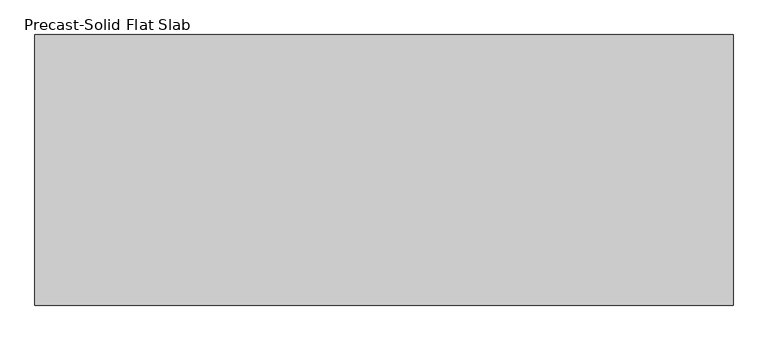
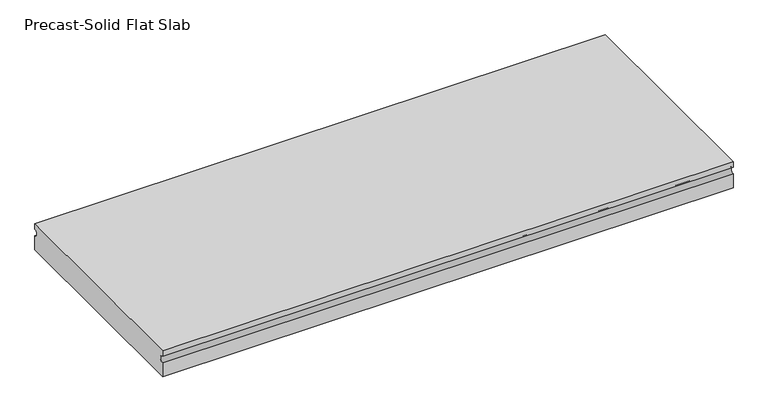
"""IFC4 building model written with IfcOpenShell, lengths in millimetres: beam geometry, Precast-Solid Flat Slab."""

from ifc_helpers import new_model, si_unit, point, frame, frame_2d, origin, place, context, project, spatial, polyline, circle_curve, trimmed, segment, composite_curve, outline, extrude, source, transform, mapped, element, save


def precast_solid_flat_slab_1f1bb86f(model_context):
    return source(origin(), model_context, "Body", "SweptSolid", [
        extrude(outline(composite_curve([segment(polyline([(-304.8, 38.1), (304.8, 38.1), (304.8, 22.225)]), True, "CONTINUOUS"), segment(trimmed(circle_curve(frame_2d((304.8, 12.7)), 9.525), [point((304.8, 22.225))], [point((304.8, 3.175))], True, "CARTESIAN"), True, "CONTINUOUS"), segment(polyline([(304.8, 3.175), (304.8, -38.1), (-304.8, -38.1), (-304.8, 3.175)]), True, "CONTINUOUS"), segment(trimmed(circle_curve(frame_2d((-304.8, 12.7)), 9.525), [point((-304.8, 3.175))], [point((-304.8, 22.225))], True, "CARTESIAN"), True, "CONTINUOUS"), segment(polyline([(-304.8, 22.225), (-304.8, 38.1)]), True, "CONTINUOUS")], self_intersect=False)), frame((-827.4843744, 0.0, 0.0), z_axis=(1.0, 0.0, 0.0), x_axis=(0.0, 1.0, 0.0)), (0.0, 0.0, 1.0), 1572.5675775),
    ])


if __name__ == "__main__":
    model = new_model("IFC4")
    model_context = context("Model", 3, world=origin())
    ifc_project = project(units=[si_unit("LENGTHUNIT", "METRE", prefix="MILLI")], contexts=[model_context])
    site = spatial("IfcSite", under=ifc_project)
    building = spatial("IfcBuilding", under=site)
    placement = place(None, origin())
    precast_solid_flat_slab_shape = precast_solid_flat_slab_1f1bb86f(model_context)
    element("IfcBeam", 1, ObjectType="Precast-Solid Flat Slab", at=placement, inside=building, context=model_context, shape_type="MappedRepresentation", body=[
        mapped(precast_solid_flat_slab_shape, transform((0.0, 0.0, 0.0), x_axis=(1.0, 0.0, 0.0), y_axis=(0.0, 1.0, 0.0), z_axis=(0.0, 0.0, 1.0))),
    ])
    save(model, "model.ifc")
